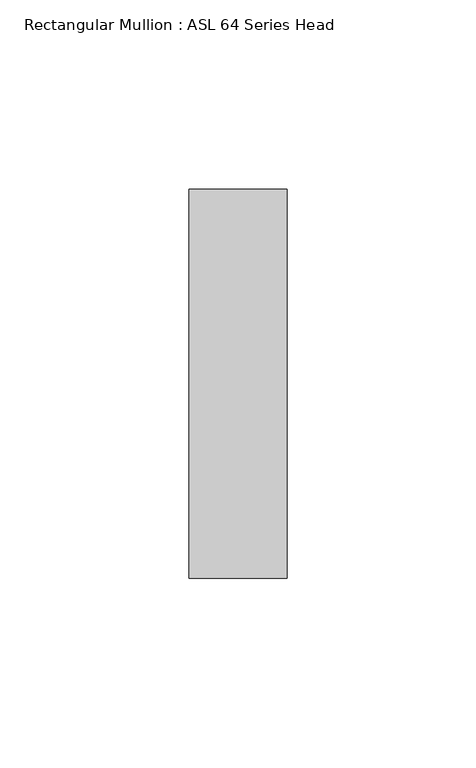
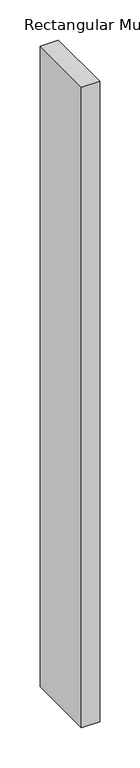
"""IFC4 building model written with IfcOpenShell, lengths in millimetres: member geometry, Rectangular Mullion : ASL 64 Series Head."""

from ifc_helpers import new_model, si_unit, frame, origin, place, context, project, spatial, polyline, outline, extrude, source, transform, mapped, element, save


def rectangular_mullion_asl_64_series_head_1303ec00(model_context):
    return source(origin(), model_context, "Body", "SweptSolid", [
        extrude(outline(polyline([(0.0, 51.5), (0.0, -51.5), (-26.0, -51.5), (-26.0, 51.5), (0.0, 51.5)])), frame((0.0, 0.0, -974.0), z_axis=(0.0, 0.0, 1.0), x_axis=(1.0, 0.0, 0.0)), (0.0, 0.0, 1.0), 974.0),
    ])


if __name__ == "__main__":
    model = new_model("IFC4")
    model_context = context("Model", 3, world=origin())
    ifc_project = project(units=[si_unit("LENGTHUNIT", "METRE", prefix="MILLI")], contexts=[model_context])
    site = spatial("IfcSite", under=ifc_project)
    building = spatial("IfcBuilding", under=site)
    placement = place(None, origin())
    rectangular_mullion_asl_64_series_head_shape = rectangular_mullion_asl_64_series_head_1303ec00(model_context)
    element("IfcMember", 1, ObjectType="Rectangular Mullion : ASL 64 Series Head", at=placement, inside=building, context=model_context, shape_type="MappedRepresentation", body=[
        mapped(rectangular_mullion_asl_64_series_head_shape, transform((0.0, 0.0, 0.0), x_axis=(1.0, 0.0, 0.0), y_axis=(0.0, 1.0, 0.0), z_axis=(0.0, 0.0, 1.0))),
    ])
    save(model, "model.ifc")
